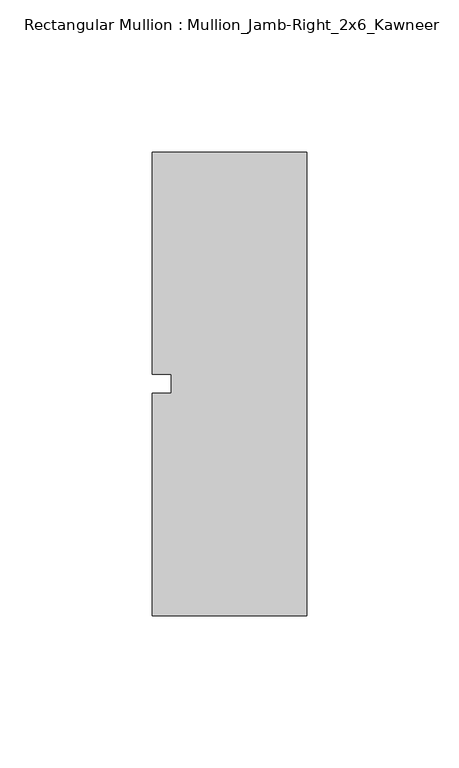
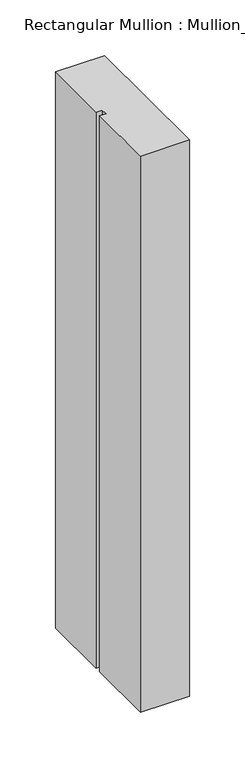
"""IFC4 building model written with IfcOpenShell, lengths in millimetres: member geometry, Rectangular Mullion : Mullion_Jamb-Right_2x6_Kawneer."""

from ifc_helpers import new_model, si_unit, frame, origin, place, context, project, spatial, polyline, outline, extrude, source, transform, mapped, element, save


def rectangular_mullion_mullion_jamb_right_2x6_kawneer_e408713a(model_context):
    return source(origin(), model_context, "Body", "SweptSolid", [
        extrude(outline(polyline([(-50.8, 76.2), (0.0, 76.2), (0.0, -76.2), (-50.8, -76.2), (-50.8, -3.175), (-44.45, -3.175), (-44.45, 3.175), (-50.8, 3.175), (-50.8, 76.2)])), frame((0.0, 0.0, -609.6), z_axis=(0.0, 0.0, 1.0), x_axis=(1.0, 0.0, 0.0)), (0.0, 0.0, 1.0), 609.6),
    ])


if __name__ == "__main__":
    model = new_model("IFC4")
    model_context = context("Model", 3, world=origin())
    ifc_project = project(units=[si_unit("LENGTHUNIT", "METRE", prefix="MILLI")], contexts=[model_context])
    site = spatial("IfcSite", under=ifc_project)
    building = spatial("IfcBuilding", under=site)
    placement = place(None, origin())
    rectangular_mullion_mullion_jamb_right_2x6_kawneer_shape = rectangular_mullion_mullion_jamb_right_2x6_kawneer_e408713a(model_context)
    element("IfcMember", 1, ObjectType="Rectangular Mullion : Mullion_Jamb-Right_2x6_Kawneer", at=placement, inside=building, context=model_context, shape_type="MappedRepresentation", body=[
        mapped(rectangular_mullion_mullion_jamb_right_2x6_kawneer_shape, transform((0.0, 0.0, 0.0), x_axis=(1.0, 0.0, 0.0), y_axis=(0.0, 1.0, 0.0), z_axis=(0.0, 0.0, 1.0))),
    ])
    save(model, "model.ifc")
